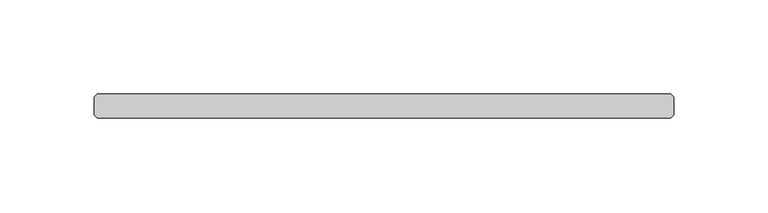
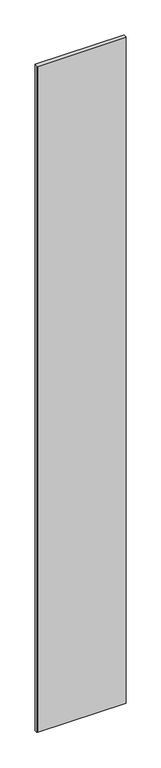
"""IFC4 building model written with IfcOpenShell, lengths in millimetres: plate geometry."""

from ifc_helpers import new_model, si_unit, origin, origin_with_axes, place, context, project, spatial, polyline, outline, extrude, source, transform, mapped, element, save


def plate_8d7e2574(model_context):
    return source(origin(), model_context, "Body", "SweptSolid", [
        extrude(outline(polyline([(152.003125, 36.5125), (153.590625, 34.925), (153.590625, 25.4), (152.003125, 23.8125), (-152.003125, 23.8125), (-153.590625, 25.4), (-153.590625, 34.925), (-152.003125, 36.5125), (152.003125, 36.5125)])), origin_with_axes(), (0.0, 0.0, 1.0), 2417.075),
    ])


if __name__ == "__main__":
    model = new_model("IFC4")
    model_context = context("Model", 3, world=origin())
    ifc_project = project(units=[si_unit("LENGTHUNIT", "METRE", prefix="MILLI")], contexts=[model_context])
    site = spatial("IfcSite", under=ifc_project)
    building = spatial("IfcBuilding", under=site)
    placement = place(None, origin())
    plate_shape = plate_8d7e2574(model_context)
    element("IfcPlate", 1, at=placement, inside=building, context=model_context, shape_type="MappedRepresentation", body=[
        mapped(plate_shape, transform((0.0, 0.0, 0.0), x_axis=(1.0, 0.0, 0.0), y_axis=(0.0, 1.0, 0.0), z_axis=(0.0, 0.0, 1.0))),
    ])
    save(model, "model.ifc")
